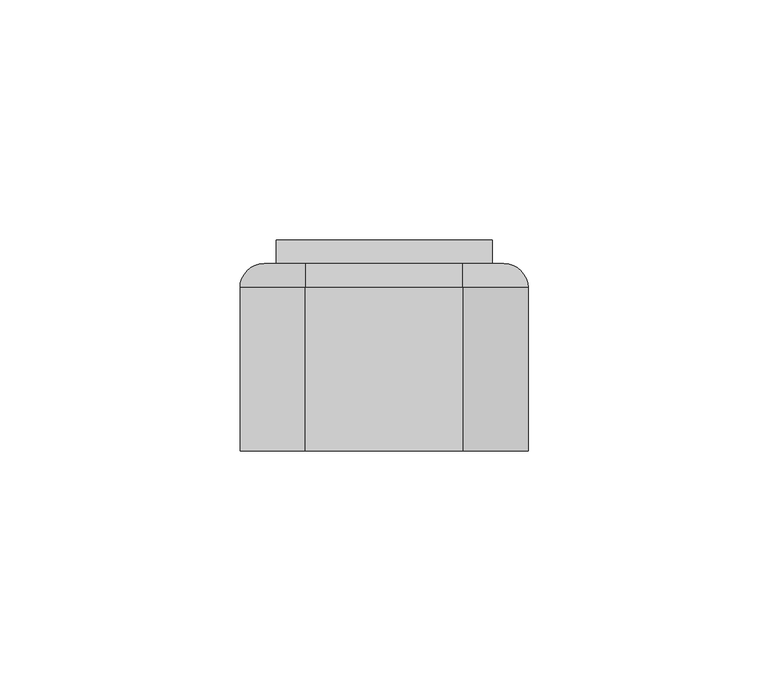
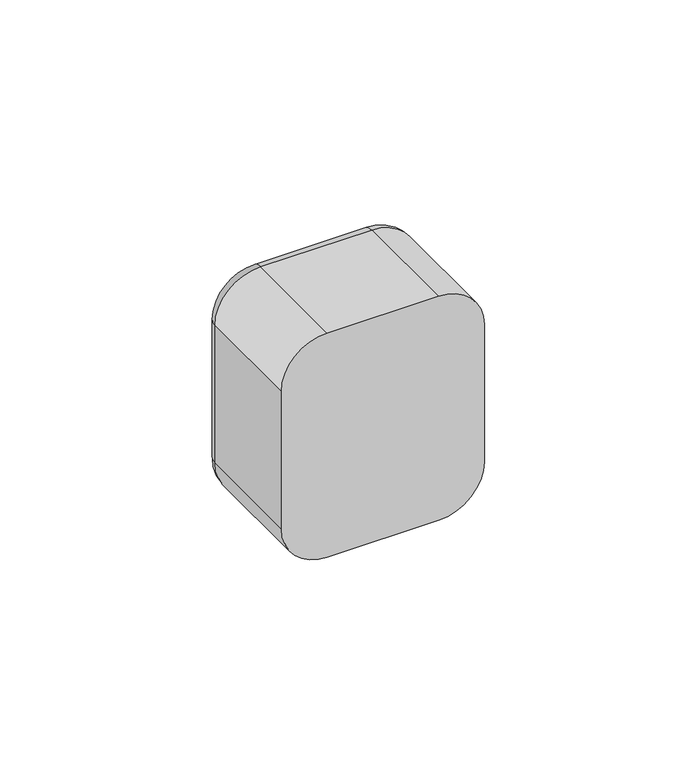
"""IFC4 building model written with IfcOpenShell, lengths in millimetres: switching device geometry."""

from ifc_helpers import new_model, si_unit, point, frame, origin, place, context, project, spatial, polyline, circle_curve, ellipse_curve, trimmed, outline, extrude, faceted_brep, source, transform, mapped, element, save
from ifc_brep_helpers import plane_surface, cylinder_surface, revolved_surface, advanced_brep


def switching_device_8d0bedd7(model_context):
    return source(origin(), model_context, "Body", "SolidModel", [
        advanced_brep(
        [(16.4328665, 39.0, 30.0), (25.0, 39.0, 21.4328665), (25.0, 39.0, -21.4328665), (16.4328665, 39.0, -30.0), (-16.4328665, 39.0, -30.0), (-25.0, 39.0, -21.4328665), (-25.0, 39.0, 21.4328665), (-16.4328665, 39.0, 30.0), (22.5, 39.0, 22.5), (-22.5, 39.0, 22.5), (-22.5, 39.0, -22.5), (22.5, 39.0, -22.5), (-16.4328665, 0.0, 35.0), (-30.0, 0.0, 21.4328665), (-30.0, 0.0, -21.4328665), (-16.4328665, 0.0, -35.0), (16.4328665, 0.0, -35.0), (30.0, 0.0, -21.4328665), (30.0, 0.0, 21.4328665), (16.4328665, 0.0, 35.0), (22.5, 2.0, -22.5), (22.5, 2.0, 22.5), (-22.5, 2.0, -22.5), (-22.5, 2.0, 22.5), (-30.0, 34.0, 21.4328665), (-30.0, 34.0, -21.4328665), (-16.4328665, 34.0, -35.0), (16.4328665, 34.0, -35.0), (30.0, 34.0, -21.4328665), (30.0, 34.0, 21.4328665), (16.4328665, 34.0000072, 35.0), (-16.4328665, 34.0, 35.0)],
        [
            (0, 1, circle_curve(frame((16.4328665, 39.0, 21.4328665), z_axis=(0.0, 1.0, 0.0), x_axis=(0.0, 0.0, 1.0)), 8.5671335)),
            (1, 2),
            (2, 3, circle_curve(frame((16.4328665, 39.0, -21.4328665), z_axis=(0.0, 1.0, 0.0), x_axis=(1.0, 0.0, 0.0)), 8.5671335)),
            (3, 4),
            (4, 5, circle_curve(frame((-16.4328665, 39.0, -21.4328665), z_axis=(0.0, 1.0, 0.0), x_axis=(0.0, 0.0, -1.0)), 8.5671335)),
            (5, 6),
            (6, 7, circle_curve(frame((-16.4328665, 39.0, 21.4328665), z_axis=(0.0, 1.0, 0.0), x_axis=(-1.0, 0.0, 0.0)), 8.5671335)),
            (7, 0),
            (8, 9),
            (9, 10),
            (10, 11),
            (11, 8),
            (12, 13, circle_curve(frame((-16.4328665, 0.0, 21.4328665), z_axis=(0.0, -1.0, 0.0), x_axis=(1.0, 0.0, 0.0)), 13.5671335)),
            (13, 14),
            (14, 15, circle_curve(frame((-16.4328665, 0.0, -21.4328665), z_axis=(0.0, -1.0, 0.0), x_axis=(1.0, 0.0, 0.0)), 13.5671335)),
            (15, 16),
            (16, 17, circle_curve(frame((16.4328665, 0.0, -21.4328665), z_axis=(0.0, -1.0, 0.0), x_axis=(1.0, 0.0, 0.0)), 13.5671335)),
            (17, 18),
            (18, 19, circle_curve(frame((16.4328665, 0.0, 21.4328665), z_axis=(0.0, -1.0, 0.0), x_axis=(1.0, 0.0, 0.0)), 13.5671335)),
            (19, 12),
            (11, 20),
            (20, 21),
            (21, 8),
            (10, 22),
            (22, 20),
            (9, 23),
            (23, 22),
            (21, 23),
            (13, 24),
            (24, 25),
            (25, 14),
            (15, 26),
            (26, 27),
            (27, 16),
            (17, 28),
            (28, 29),
            (29, 18),
            (19, 30),
            (30, 31),
            (31, 12),
            (31, 24, circle_curve(frame((-16.4328665, 34.0, 21.4328665), z_axis=(0.0, -1.0, 0.0), x_axis=(1.0, 0.0, 0.0)), 13.5671335)),
            (25, 26, circle_curve(frame((-16.4328665, 34.0, -21.4328665), z_axis=(0.0, -1.0, 0.0), x_axis=(1.0, 0.0, 0.0)), 13.5671335)),
            (27, 28, circle_curve(frame((16.4328665, 34.0, -21.4328665), z_axis=(0.0, -1.0, 0.0), x_axis=(1.0, 0.0, 0.0)), 13.5671335)),
            (29, 30, circle_curve(frame((16.4328665, 34.0, 21.4328665), z_axis=(0.0, -1.0, 0.0), x_axis=(1.0, 0.0, 0.0)), 13.5671335)),
            (29, 1, circle_curve(frame((25.0, 34.0, 21.4328665), z_axis=(0.0, 0.0, 1.0), x_axis=(0.0, 1.0, 0.0)), 5.0)),
            (0, 30, circle_curve(frame((16.4328665, 34.0, 30.0), z_axis=(1.0, 0.0, 0.0), x_axis=(0.0, 1.0, 0.0)), 5.0)),
            (28, 2, circle_curve(frame((25.0, 34.0, -21.4328665), z_axis=(0.0, 0.0, 1.0), x_axis=(0.0, 1.0, 0.0)), 5.0)),
            (27, 3, circle_curve(frame((16.4328665, 34.0, -30.0), z_axis=(1.0, 0.0, 0.0), x_axis=(0.0, 1.0, 0.0)), 5.0)),
            (26, 4, circle_curve(frame((-16.4328665, 34.0, -30.0), z_axis=(1.0, 0.0, 0.0), x_axis=(0.0, 1.0, 0.0)), 5.0)),
            (25, 5, circle_curve(frame((-25.0, 34.0, -21.4328665), z_axis=(0.0, 0.0, -1.0), x_axis=(0.0, 1.0, 0.0)), 5.0)),
            (24, 6, circle_curve(frame((-25.0, 34.0, 21.4328665), z_axis=(0.0, 0.0, -1.0), x_axis=(0.0, 1.0, 0.0)), 5.0)),
            (31, 7, circle_curve(frame((-16.4328665, 34.0, 30.0), z_axis=(-1.0, 0.0, 0.0), x_axis=(0.0, 1.0, 0.0)), 5.0)),
        ],
        [
            plane_surface(frame((22.5, 39.0, 6.9412233), z_axis=(0.0, 1.0, 0.0), x_axis=(0.0, 0.0, 1.0))),
            plane_surface(frame((22.5, 0.0, 6.9412233), z_axis=(0.0, -1.0, 0.0), x_axis=(0.0, 0.0, -1.0))),
            plane_surface(frame((22.5, 0.0, 22.5), z_axis=(-1.0, 0.0, 0.0), x_axis=(0.0, 1.0, 0.0))),
            plane_surface(frame((22.5, 0.0, -22.5), z_axis=(0.0, 0.0, 1.0), x_axis=(0.0, 1.0, 0.0))),
            plane_surface(frame((-22.5, 0.0, -22.5), z_axis=(1.0, 0.0, 0.0), x_axis=(0.0, 1.0, 0.0))),
            plane_surface(frame((-22.5, 0.0, 22.5), z_axis=(0.0, 0.0, -1.0), x_axis=(0.0, 1.0, 0.0))),
            plane_surface(frame((-30.0, 0.0, 21.4328665), z_axis=(-1.0, 0.0, 0.0), x_axis=(0.0, 1.0, 0.0))),
            plane_surface(frame((-16.4328665, 0.0, -35.0), z_axis=(0.0, 0.0, -1.0), x_axis=(0.0, 1.0, 0.0))),
            plane_surface(frame((30.0, 0.0, -21.4328665), z_axis=(1.0, 0.0, 0.0), x_axis=(0.0, 1.0, 0.0))),
            plane_surface(frame((16.4328665, 0.0, 35.0), z_axis=(0.0, 0.0, 1.0), x_axis=(0.0, 1.0, 0.0))),
            cylinder_surface(frame((-16.4328665, 0.0, 21.4328665), z_axis=(0.0, -1.0, 0.0), x_axis=(1.0, 0.0, 0.0)), 13.5671335),
            cylinder_surface(frame((-16.4328665, 0.0, -21.4328665), z_axis=(0.0, -1.0, 0.0), x_axis=(1.0, 0.0, 0.0)), 13.5671335),
            cylinder_surface(frame((16.4328665, 0.0, -21.4328665), z_axis=(0.0, -1.0, 0.0), x_axis=(1.0, 0.0, 0.0)), 13.5671335),
            cylinder_surface(frame((16.4328665, 0.0, 21.4328665), z_axis=(0.0, -1.0, 0.0), x_axis=(1.0, 0.0, 0.0)), 13.5671335),
            plane_surface(frame((-22.5, 2.0, 31.0), z_axis=(0.0, 1.0, 0.0), x_axis=(0.0, 0.0, 1.0))),
            revolved_surface(trimmed(ellipse_curve(frame((16.4328665, 34.0, 30.0), z_axis=(-1.0, 0.0, 0.0), x_axis=(0.0, 1.0, 0.0)), 5.0, 5.0), [point((16.4328665, 34.0, 35.0))], [point((16.4328665, 39.0, 30.0))], True, "CARTESIAN"), (16.4328665, 39.0, 21.4328665), (0.0, 1.0, 0.0)),
            cylinder_surface(frame((25.0, 34.0, 21.4328665), z_axis=(0.0, 0.0, -1.0), x_axis=(0.0, 1.0, 0.0)), 5.0),
            revolved_surface(trimmed(ellipse_curve(frame((25.0, 34.0, -21.4328665), z_axis=(0.0, 0.0, 1.0), x_axis=(0.0, 1.0, 0.0)), 5.0, 5.0), [point((30.0, 34.0, -21.4328665))], [point((25.0, 39.0, -21.4328665))], True, "CARTESIAN"), (16.4328665, 39.0, -21.4328665), (0.0, 1.0, 0.0)),
            cylinder_surface(frame((16.4328665, 34.0, -30.0), z_axis=(-1.0, 0.0, 0.0), x_axis=(0.0, 1.0, 0.0)), 5.0),
            revolved_surface(trimmed(ellipse_curve(frame((-16.4328665, 34.0, -30.0), z_axis=(1.0, 0.0, 0.0), x_axis=(0.0, 1.0, 0.0)), 5.0, 5.0), [point((-16.4328665, 34.0, -35.0))], [point((-16.4328665, 39.0, -30.0))], True, "CARTESIAN"), (-16.4328665, 39.0, -21.4328665), (0.0, 1.0, 0.0)),
            cylinder_surface(frame((-25.0, 34.0, -21.4328665), z_axis=(0.0, 0.0, 1.0), x_axis=(0.0, 1.0, 0.0)), 5.0),
            revolved_surface(trimmed(ellipse_curve(frame((-25.0, 34.0, 21.4328665), z_axis=(0.0, 0.0, -1.0), x_axis=(0.0, 1.0, 0.0)), 5.0, 5.0), [point((-30.0, 34.0, 21.4328665))], [point((-25.0, 39.0, 21.4328665))], True, "CARTESIAN"), (-16.4328665, 39.0, 21.4328665), (0.0, 1.0, 0.0)),
            cylinder_surface(frame((-16.4328665, 34.0, 30.0), z_axis=(1.0, 0.0, 0.0), x_axis=(0.0, 1.0, 0.0)), 5.0),
        ],
        [
            (0, [[1, 2, 3, 4, 5, 6, 7, 8], [9, 10, 11, 12]]),
            (1, [[13, 14, 15, 16, 17, 18, 19, 20]]),
            (2, [[-12, 21, 22, 23]]),
            (3, [[-11, 24, 25, -21]]),
            (4, [[-10, 26, 27, -24]]),
            (5, [[-9, -23, 28, -26]]),
            (6, [[-14, 29, 30, 31]]),
            (7, [[-16, 32, 33, 34]]),
            (8, [[-18, 35, 36, 37]]),
            (9, [[-20, 38, 39, 40]]),
            (10, [[-13, -40, 41, -29]]),
            (11, [[-15, -31, 42, -32]]),
            (12, [[-17, -34, 43, -35]]),
            (13, [[-19, -37, 44, -38]]),
            (14, [[-22, -25, -27, -28]]),
            (15, [[45, -1, 46, -44]]),
            (16, [[-45, -36, 47, -2]]),
            (17, [[-47, -43, 48, -3]]),
            (18, [[-48, -33, 49, -4]]),
            (19, [[-49, -42, 50, -5]]),
            (20, [[-50, -30, 51, -6]]),
            (21, [[-51, -41, 52, -7]]),
            (22, [[-46, -8, -52, -39]]),
        ],
    ),
        extrude(outline(polyline([(0.0, -2.0), (0.0, 0.0), (0.9999999, 0.0), (0.9999999, -2.0), (0.0, -2.0)])), frame((1.0, 41.2452249, -2.4844182), z_axis=(0.0, 0.11147470448260206, 0.9937672716790972), x_axis=(0.0, -0.9937672716790972, 0.11147470448260206)), (0.0, 0.0, 1.0), 5.0),
        faceted_brep([(22.5, 39.0, -22.5), (22.5, 43.9850961, 21.9408026), (22.5, 39.0, 22.5), (-22.5, 39.0, -22.5), (-22.5, 39.0, 22.5), (-22.5, 43.9850961, 21.9408026), (1.0, 41.2452249, -2.4844182), (1.0, 41.8025985, 2.4844182), (-1.0, 41.8025985, 2.4844182), (-1.0, 41.2452249, -2.4844182), (1.0, 40.2514577, -2.3729435), (-1.0, 40.2514577, -2.3729435), (-1.0, 40.8088312, 2.5958929), (1.0, 40.8088312, 2.5958929)], [[[0, 1, 2]], [[3, 4, 5]], [[1, 0, 3, 5], [6, 7, 8, 9]], [[2, 1, 5, 4]], [[0, 2, 4, 3]], [[10, 11, 12, 13]], [[10, 13, 7, 6]], [[13, 12, 8, 7]], [[12, 11, 9, 8]], [[11, 10, 6, 9]]]),
        extrude(outline(polyline([(22.5, 2.0), (-22.5, 2.0), (-22.5, 31.0), (22.5, 31.0), (22.5, 2.0)])), frame((0.0, 0.0, -22.5), z_axis=(0.0, 0.0, 1.0), x_axis=(1.0, 0.0, 0.0)), (0.0, 0.0, 1.0), 45.0),
        extrude(outline(polyline([(22.5, 31.0), (-22.5, 31.0), (-22.5, 39.0), (22.5, 39.0), (22.5, 31.0)])), frame((0.0, 0.0, -22.5), z_axis=(0.0, 0.0, 1.0), x_axis=(1.0, 0.0, 0.0)), (0.0, 0.0, 1.0), 45.0),
    ])


if __name__ == "__main__":
    model = new_model("IFC4")
    model_context = context("Model", 3, world=origin())
    ifc_project = project(units=[si_unit("LENGTHUNIT", "METRE", prefix="MILLI")], contexts=[model_context])
    site = spatial("IfcSite", under=ifc_project)
    building = spatial("IfcBuilding", under=site)
    placement = place(None, origin())
    switching_device_shape = switching_device_8d0bedd7(model_context)
    element("IfcSwitchingDevice", 1, at=placement, inside=building, context=model_context, shape_type="MappedRepresentation", body=[
        mapped(switching_device_shape, transform((0.0, 0.0, 0.0), x_axis=(1.0, 0.0, 0.0), y_axis=(0.0, 1.0, 0.0), z_axis=(0.0, 0.0, 1.0))),
    ])
    save(model, "model.ifc")
